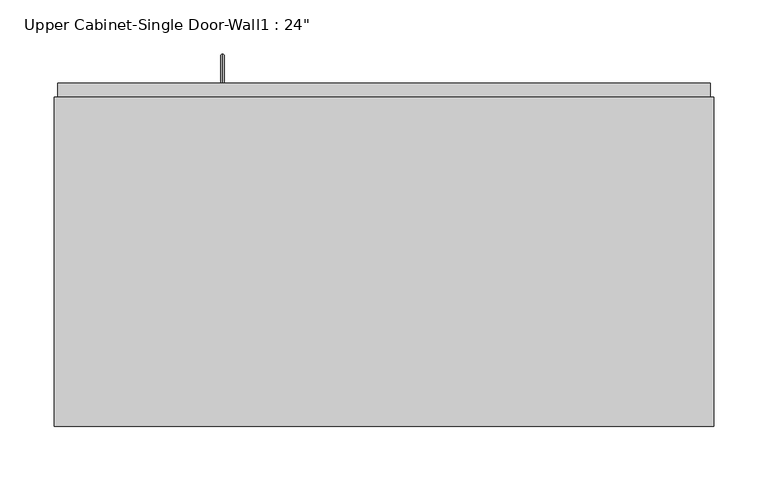
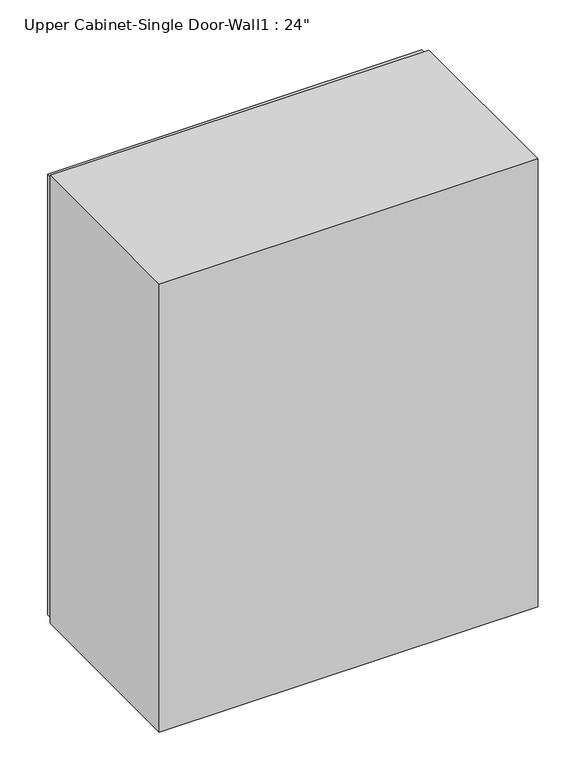
"""IFC4 building model written with IfcOpenShell, lengths in millimetres: furniture geometry."""

from ifc_helpers import new_model, si_unit, frame, origin, place, context, project, spatial, polyline, circle_curve, ellipse_curve, outline, extrude, faceted_brep, source, transform, mapped, element, save
from ifc_brep_helpers import plane_surface, cylinder_surface, advanced_brep


def furniture_b9928bdc(model_context):
    return source(origin(), model_context, "Body", "SolidModel", [
        advanced_brep(
        [(-119.4538372, 389.875, 1431.925), (-119.4538372, 389.875, 1428.75), (-119.4538372, 413.6875, 1431.925), (-119.4538372, 416.8625, 1428.75), (-119.4538372, 413.6875, 1603.375), (-119.4538372, 416.8625, 1606.55), (-119.4538372, 389.875, 1603.375), (-119.4538372, 389.875, 1606.55)],
        [
            (0, 1, circle_curve(frame((-119.4538372, 389.875, 1430.3375), z_axis=(0.0, -1.0, 0.0), x_axis=(0.0, 0.0, -1.0)), 1.5875)),
            (1, 0, circle_curve(frame((-119.4538372, 389.875, 1430.3375), z_axis=(0.0, -1.0, 0.0), x_axis=(0.0, 0.0, -1.0)), 1.5875)),
            (0, 2),
            (2, 3, ellipse_curve(frame((-119.4538372, 415.275, 1430.3375), z_axis=(0.0, -0.7071067811865536, -0.7071067811865416), x_axis=(0.0, -0.7071067811865415, 0.7071067811865536)), 2.245064, 1.5875)),
            (3, 1),
            (3, 2, ellipse_curve(frame((-119.4538372, 415.275, 1430.3375), z_axis=(0.0, -0.7071067811865536, -0.7071067811865416), x_axis=(0.0, -0.7071067811865415, 0.7071067811865536)), 2.245064, 1.5875)),
            (2, 4),
            (4, 5, ellipse_curve(frame((-119.4538372, 415.275, 1604.9625), z_axis=(0.0, 0.7071067811865415, -0.7071067811865535), x_axis=(0.0, -0.7071067811865533, -0.7071067811865418)), 2.245064, 1.5875)),
            (5, 3),
            (5, 4, ellipse_curve(frame((-119.4538372, 415.275, 1604.9625), z_axis=(0.0, 0.7071067811865415, -0.7071067811865535), x_axis=(0.0, -0.7071067811865533, -0.7071067811865418)), 2.245064, 1.5875)),
            (6, 7, circle_curve(frame((-119.4538372, 389.875, 1604.9625), z_axis=(0.0, -1.0, 0.0), x_axis=(0.0, 0.0, 1.0)), 1.5875)),
            (7, 6, circle_curve(frame((-119.4538372, 389.875, 1604.9625), z_axis=(0.0, -1.0, 0.0), x_axis=(0.0, 0.0, 1.0)), 1.5875)),
            (4, 6),
            (7, 5),
        ],
        [
            plane_surface(frame((-119.4538372, 389.875, 1430.3375), z_axis=(0.0, -1.0, 0.0), x_axis=(-1.0, 0.0, 0.0))),
            cylinder_surface(frame((-119.4538372, 389.875, 1430.3375), z_axis=(0.0, -1.0, 0.0), x_axis=(0.0, 0.0, -1.0)), 1.5875),
            cylinder_surface(frame((-119.4538372, 415.275, 1430.3375), z_axis=(0.0, 0.0, -1.0), x_axis=(0.0, 1.0, 0.0)), 1.5875),
            plane_surface(frame((-119.4538372, 389.875, 1604.9625), z_axis=(0.0, -1.0, 0.0), x_axis=(-1.0, 0.0, 0.0))),
            cylinder_surface(frame((-119.4538372, 415.275, 1604.9625), z_axis=(0.0, 1.0, 0.0), x_axis=(0.0, 0.0, 1.0)), 1.5875),
        ],
        [
            (0, [[1, 2]]),
            (1, [[-1, 3, 4, 5]]),
            (1, [[-2, -5, 6, -3]]),
            (2, [[-4, 7, 8, 9]]),
            (2, [[-6, -9, 10, -7]]),
            (3, [[11, 12]]),
            (4, [[-8, 13, -12, 14]]),
            (4, [[-10, -14, -11, -13]]),
        ],
    ),
        faceted_brep([(-275.0288372, 72.375, 2133.6), (-275.0288372, 72.375, 1371.6), (334.5711628, 72.375, 1371.6), (334.5711628, 72.375, 2133.6), (-275.0288372, 377.175, 2133.6), (334.5711628, 377.175, 2133.6), (334.5711628, 377.175, 1371.6), (-275.0288372, 377.175, 1371.6), (-255.9788372, 377.175, 2114.55), (-255.9788372, 377.175, 1390.65), (315.5211628, 377.175, 1390.65), (315.5211628, 377.175, 2114.55), (315.5211628, 91.425, 2114.55), (-255.9788372, 91.425, 2114.55), (315.5211628, 91.425, 1390.65), (-255.9788372, 91.425, 1390.65)], [[[0, 1, 2, 3]], [[4, 5, 6, 7], [8, 9, 10, 11]], [[1, 0, 4, 7]], [[2, 1, 7, 6]], [[3, 2, 6, 5]], [[0, 3, 5, 4]], [[8, 11, 12, 13]], [[11, 10, 14, 12]], [[10, 9, 15, 14]], [[9, 8, 13, 15]], [[13, 12, 14, 15]]]),
        extrude(outline(polyline([(-271.8538372, 389.875), (331.3961628, 389.875), (331.3961628, 358.125), (-271.8538372, 358.125), (-271.8538372, 389.875)])), frame((0.0, 0.0, 1377.95), z_axis=(0.0, 0.0, 1.0), x_axis=(1.0, 0.0, 0.0)), (0.0, 0.0, 1.0), 749.3),
    ])


if __name__ == "__main__":
    model = new_model("IFC4")
    model_context = context("Model", 3, world=origin())
    ifc_project = project(units=[si_unit("LENGTHUNIT", "METRE", prefix="MILLI")], contexts=[model_context])
    site = spatial("IfcSite", under=ifc_project)
    building = spatial("IfcBuilding", under=site)
    placement = place(None, origin())
    furniture_shape = furniture_b9928bdc(model_context)
    element("IfcFurniture", 1, ObjectType="Upper Cabinet-Single Door-Wall1 : 24\"", at=placement, inside=building, context=model_context, shape_type="MappedRepresentation", body=[
        mapped(furniture_shape, transform((0.0, 0.0, 0.0), x_axis=(1.0, 0.0, 0.0), y_axis=(0.0, 1.0, 0.0), z_axis=(0.0, 0.0, 1.0))),
    ])
    save(model, "model.ifc")
